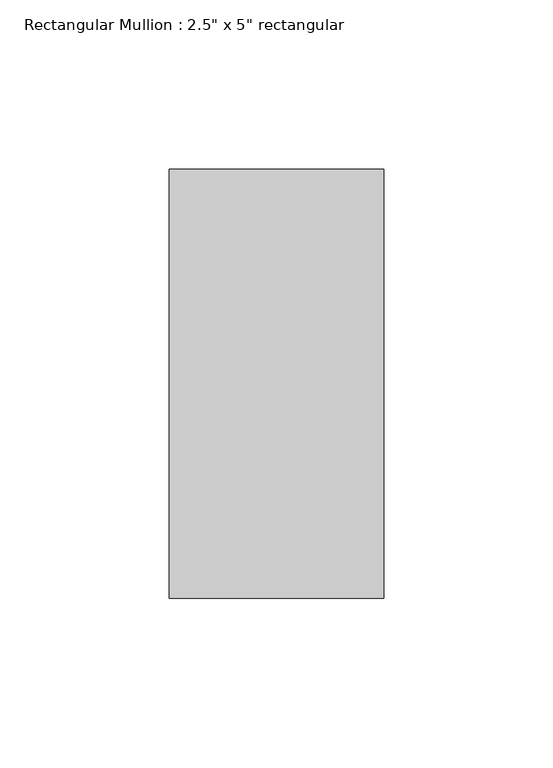
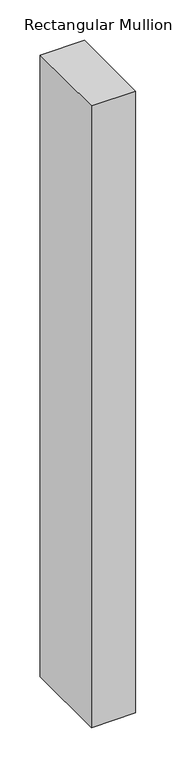
"""IFC4 building model written with IfcOpenShell, lengths in millimetres: member geometry."""

from ifc_helpers import new_model, si_unit, frame, origin, place, context, project, spatial, polyline, outline, extrude, source, transform, mapped, element, save


def member_c0164d04(model_context):
    return source(origin(), model_context, "Body", "SweptSolid", [
        extrude(outline(polyline([(0.0, 63.5), (0.0, -63.5), (-63.5, -63.5), (-63.5, 63.5), (0.0, 63.5)])), frame((0.0, 0.0, -941.0829749), z_axis=(0.0, 0.0, 1.0), x_axis=(1.0, 0.0, 0.0)), (0.0, 0.0, 1.0), 941.0829749),
    ])


if __name__ == "__main__":
    model = new_model("IFC4")
    model_context = context("Model", 3, world=origin())
    ifc_project = project(units=[si_unit("LENGTHUNIT", "METRE", prefix="MILLI")], contexts=[model_context])
    site = spatial("IfcSite", under=ifc_project)
    building = spatial("IfcBuilding", under=site)
    placement = place(None, origin())
    member_shape = member_c0164d04(model_context)
    element("IfcMember", 1, ObjectType="Rectangular Mullion : 2.5\" x 5\" rectangular", at=placement, inside=building, context=model_context, shape_type="MappedRepresentation", body=[
        mapped(member_shape, transform((0.0, 0.0, 0.0), x_axis=(1.0, 0.0, 0.0), y_axis=(0.0, 1.0, 0.0), z_axis=(0.0, 0.0, 1.0))),
    ])
    save(model, "model.ifc")
